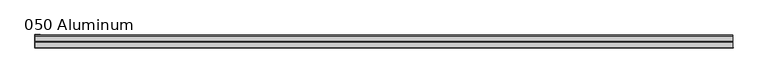
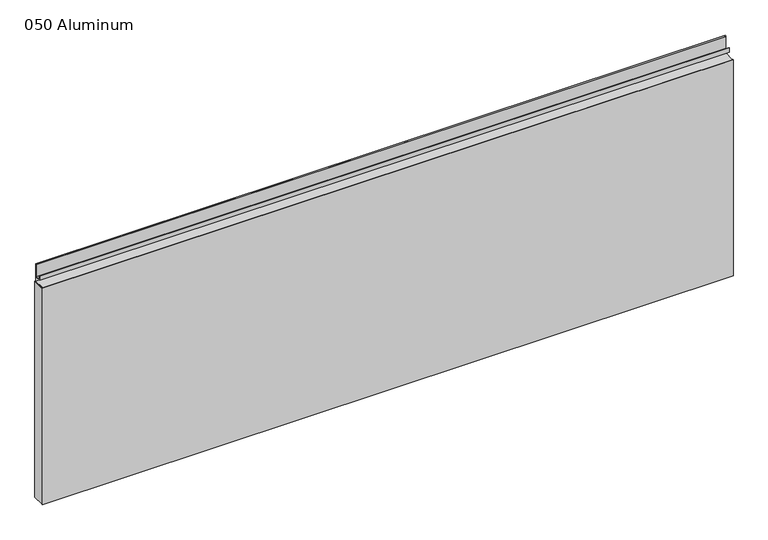
"""IFC4 building model written with IfcOpenShell, lengths in millimetres: plate geometry, 050 Aluminum."""

from ifc_helpers import new_model, si_unit, point, frame, frame_2d, origin, origin_with_axes, place, context, project, spatial, polyline, circle_curve, trimmed, segment, composite_curve, outline, extrude, source, transform, mapped, element, save


def plate_050_aluminum_de26e5df(model_context):
    return source(origin(), model_context, "Body", "SweptSolid", [
        extrude(outline(polyline([(-919.4799998, -2.5660257), (-919.4799998, -34.7980001), (-920.7499998, -34.7980001), (-920.7499998, -1.2699999), (-906.5894993, -1.2699999), (-906.5894993, -2.5660257), (-919.4799998, -2.5660257)])), origin_with_axes(), (0.0, 0.0, 1.0), 608.33),
        extrude(outline(composite_curve([segment(polyline([(-2.0574743, 656.7932001), (-2.0574743, 608.33), (-34.7980002, 608.33), (-34.7980002, 609.6000001), (-3.3274743, 609.6000001), (-3.3274743, 656.7932001)]), True, "CONTINUOUS"), segment(trimmed(circle_curve(frame_2d((-3.7084742, 656.7932001)), 0.3809999), [point((-3.3274743, 656.7932001))], [point((-4.0894742, 656.7932001))], True, "CARTESIAN"), True, "CONTINUOUS"), segment(polyline([(-4.0894742, 656.7932001), (-4.0894742, 622.3), (-20.4864742, 622.3), (-20.4864742, 633.6538), (-19.2164743, 633.6538), (-19.2164743, 623.57), (-5.3594742, 623.57), (-5.3594742, 656.7932001)]), True, "CONTINUOUS"), segment(trimmed(circle_curve(frame_2d((-3.7084742, 656.7932001)), 1.6509999), [point((-5.3594742, 656.7932001))], [point((-2.0574743, 656.7932001))], False, "CARTESIAN"), True, "CONTINUOUS")], self_intersect=False)), frame((-919.4799998, 0.0, 0.0), z_axis=(1.0, 0.0, 0.0), x_axis=(0.0, 1.0, 0.0)), (0.0, 0.0, 1.0), 1838.9599997),
        extrude(outline(polyline([(-920.7499998, -36.068), (-920.7499998, -34.7980001), (920.7499998, -34.7980001), (920.7499998, -36.068), (-920.7499998, -36.068)])), origin_with_axes(), (0.0, 0.0, 1.0), 609.6),
    ])


if __name__ == "__main__":
    model = new_model("IFC4")
    model_context = context("Model", 3, world=origin())
    ifc_project = project(units=[si_unit("LENGTHUNIT", "METRE", prefix="MILLI")], contexts=[model_context])
    site = spatial("IfcSite", under=ifc_project)
    building = spatial("IfcBuilding", under=site)
    placement = place(None, origin())
    plate_050_aluminum_shape = plate_050_aluminum_de26e5df(model_context)
    element("IfcPlate", 1, ObjectType="050 Aluminum", at=placement, inside=building, context=model_context, shape_type="MappedRepresentation", body=[
        mapped(plate_050_aluminum_shape, transform((0.0, 0.0, 0.0), x_axis=(1.0, 0.0, 0.0), y_axis=(0.0, 1.0, 0.0), z_axis=(0.0, 0.0, 1.0))),
    ])
    save(model, "model.ifc")
